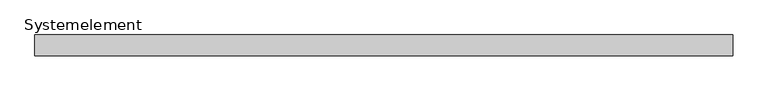
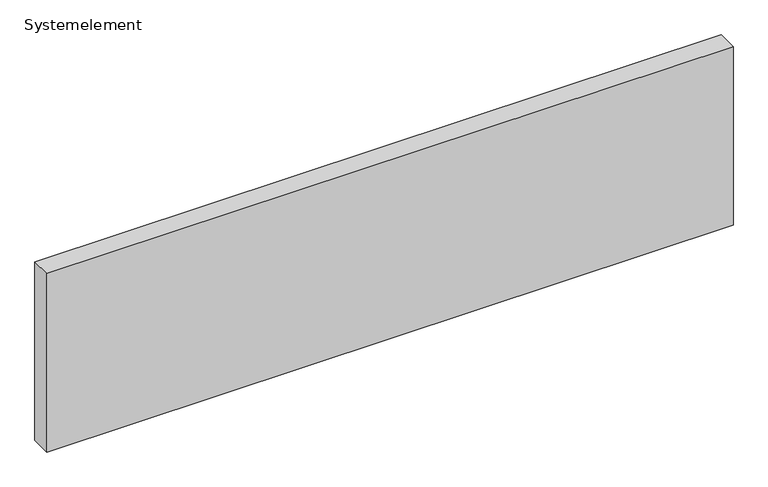
"""IFC4 building model written with IfcOpenShell, lengths in millimetres: plate geometry, Systemelement."""

from ifc_helpers import new_model, si_unit, origin, origin_with_axes, place, context, project, spatial, polyline, outline, extrude, source, transform, mapped, element, save


def systemelement_4d8dc3d2(model_context):
    return source(origin(), model_context, "Body", "SweptSolid", [
        extrude(outline(polyline([(2000.0, -120.0), (-2000.0, -120.0), (-2000.0, 0.0), (2000.0, 0.0), (2000.0, -120.0)])), origin_with_axes(), (0.0, 0.0, 1.0), 1100.0),
    ])


if __name__ == "__main__":
    model = new_model("IFC4")
    model_context = context("Model", 3, world=origin())
    ifc_project = project(units=[si_unit("LENGTHUNIT", "METRE", prefix="MILLI")], contexts=[model_context])
    site = spatial("IfcSite", under=ifc_project)
    building = spatial("IfcBuilding", under=site)
    placement = place(None, origin())
    systemelement_shape = systemelement_4d8dc3d2(model_context)
    element("IfcPlate", 1, ObjectType="Systemelement", at=placement, inside=building, context=model_context, shape_type="MappedRepresentation", body=[
        mapped(systemelement_shape, transform((0.0, 0.0, 0.0), x_axis=(1.0, 0.0, 0.0), y_axis=(0.0, 1.0, 0.0), z_axis=(0.0, 0.0, 1.0))),
    ])
    save(model, "model.ifc")
